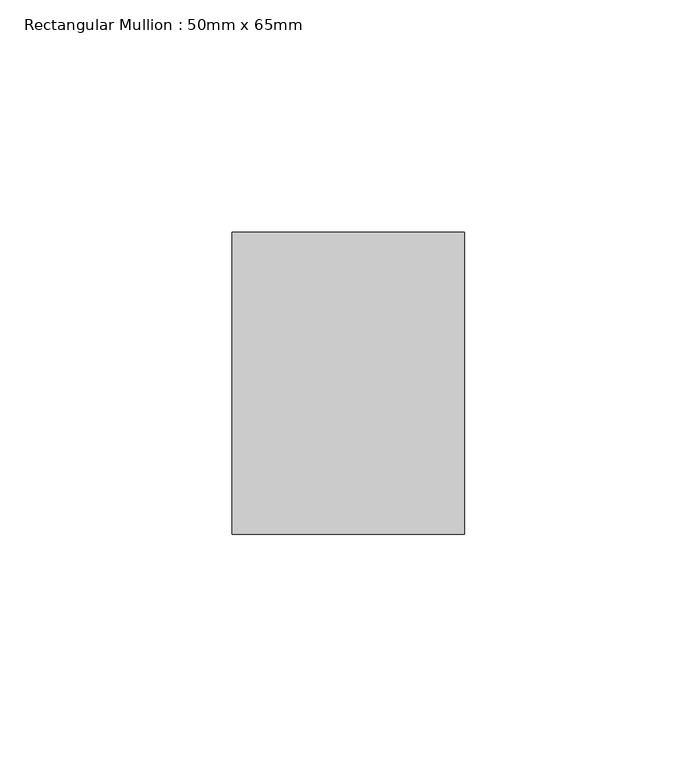
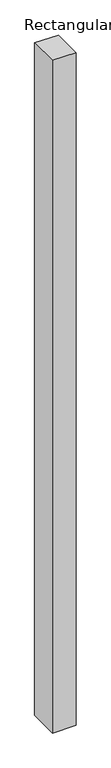
"""IFC4 building model written with IfcOpenShell, lengths in millimetres: member geometry, Rectangular Mullion : 50mm x 65mm."""

import ifcopenshell
import ifcopenshell.guid

model = None  # the IFC model being written
_history = None  # IfcOwnerHistory: only IFC2X3 demands one
_inside = {}  # id of a spatial element -> (the spatial element, [elements in it])
_under = {}  # id of a project, library or spatial element -> (it, [spatial elements below it])
_declared = {}  # id of a project -> (the project, [libraries it declares])
_typed = {}  # id of a type object -> (the type object, [elements of that type])
_made_of = {}  # id of a material, layer set ... -> (it, [elements and type objects made of it])


def new_model(schema):
    """Start an empty IFC model of exactly this schema.

    Asked for "IFC4X3", IfcOpenShell would pick the latest addendum, in which some entities
    have other attributes; the version numbers below select the first issue.
    IFC2X3 requires an IfcOwnerHistory on every rooted entity: one is made here for all.
    """
    global model, _history
    if schema == "IFC4X3":
        model = ifcopenshell.file(schema_version=(4, 3, 0, 0))
    else:
        model = ifcopenshell.file(schema=schema)
    _inside.clear()
    _under.clear()
    _declared.clear()
    _typed.clear()
    _made_of.clear()
    _history = None
    if model.schema == "IFC2X3":
        org = make("IfcOrganization", Name="unknown")
        user = make(
            "IfcPersonAndOrganization",
            ThePerson=make("IfcPerson", FamilyName="unknown"),
            TheOrganization=org,
        )
        app = make(
            "IfcApplication",
            ApplicationDeveloper=org,
            Version="unknown",
            ApplicationFullName="unknown",
            ApplicationIdentifier="unknown",
        )
        _history = make(
            "IfcOwnerHistory",
            OwningUser=user,
            OwningApplication=app,
            ChangeAction="ADDED",
            CreationDate=0,
        )
    return model


def make(cls, **values):
    """One entity of the class cls with the attributes given. An attribute that is None is left unset."""
    return model.create_entity(
        cls, **{name: value for name, value in values.items() if value is not None}
    )


def rooted(cls, **values):
    """An entity with a GlobalId (a new one), such as an element, a storey or a relation."""
    return make(cls, GlobalId=ifcopenshell.guid.new(), OwnerHistory=_history, **values)


def si_unit(unit_type, name, prefix=None):
    """IfcSIUnit, for example si_unit("LENGTHUNIT", "METRE", prefix="MILLI")."""
    return make("IfcSIUnit", UnitType=unit_type, Prefix=prefix, Name=name)


def assignment(units):
    """IfcUnitAssignment: the units of a project."""
    return None if units is None else make("IfcUnitAssignment", Units=units)


def point(xyz):
    """IfcCartesianPoint."""
    return None if xyz is None else make("IfcCartesianPoint", Coordinates=xyz)


def direction(xyz):
    """IfcDirection."""
    return None if xyz is None else make("IfcDirection", DirectionRatios=xyz)


def frame(location, z_axis=None, x_axis=None):
    """IfcAxis2Placement3D, a coordinate frame: its origin and axes. An axis left out is left unset."""
    return make(
        "IfcAxis2Placement3D",
        Location=point(location),
        Axis=direction(z_axis),
        RefDirection=direction(x_axis),
    )


def origin():
    """The frame at (0, 0, 0) with its axes left unset."""
    return frame((0.0, 0.0, 0.0))


def place(relative_to, where):
    """IfcLocalPlacement: puts the frame where relative to a parent placement (None: the world)."""
    return make(
        "IfcLocalPlacement", PlacementRelTo=relative_to, RelativePlacement=where
    )


def context(
    kind, dimensions, precision=None, world=None, true_north=None, identifier=None
):
    """IfcGeometricRepresentationContext, for example the 3D "Model" context."""
    return make(
        "IfcGeometricRepresentationContext",
        ContextIdentifier=identifier,
        ContextType=kind,
        CoordinateSpaceDimension=dimensions,
        Precision=precision,
        WorldCoordinateSystem=world,
        TrueNorth=true_north,
    )


def project(units=None, contexts=None):
    """IfcProject with its units and contexts."""
    return rooted(
        "IfcProject",
        Name="project",
        RepresentationContexts=contexts,
        UnitsInContext=assignment(units),
    )


def spatial(cls, under=None, at=None, **own):
    """A site, building, storey or space (cls), placed at a placement, below another one or the project."""
    s = rooted(cls, ObjectPlacement=at, **own)
    if under is not None:
        _under.setdefault(under.id(), (under, []))[1].append(s)
    return s


def faces_of(points, faces, orient=None, outer=None):
    """IfcFace entities. A face is a list of loops; a loop is a list of indices into points, from 0.

    orient and outer hold one flag for each loop. By default every Orientation is true, the
    first loop of a face is its IfcFaceOuterBound and the others are IfcFaceBound.
    """
    made = []
    for i, loops in enumerate(faces):
        bounds = []
        for j, loop in enumerate(loops):
            is_outer = j == 0 if outer is None else outer[i][j]
            bounds.append(
                make(
                    "IfcFaceOuterBound" if is_outer else "IfcFaceBound",
                    Bound=make("IfcPolyLoop", Polygon=[points[k] for k in loop]),
                    Orientation=True if orient is None else orient[i][j],
                )
            )
        made.append(make("IfcFace", Bounds=bounds))
    return made


def faceted_brep(points, faces, orient=None, outer=None, voids=None):
    """IfcFacetedBrep: a solid bounded by flat faces; with voids (closed shells), ...WithVoids."""
    shared = [point(p) for p in points]
    hull = make("IfcClosedShell", CfsFaces=faces_of(shared, faces, orient, outer))
    if voids is None:
        return make("IfcFacetedBrep", Outer=hull)
    return make(
        "IfcFacetedBrepWithVoids",
        Outer=hull,
        Voids=[
            make(cls, CfsFaces=faces_of(shared, fs, o, b)) for cls, fs, o, b in voids
        ],
    )


def shape(context_of_items, identifier, shape_type, items):
    """IfcShapeRepresentation: the items that make up one representation, for example the "Body"."""
    return make(
        "IfcShapeRepresentation",
        ContextOfItems=context_of_items,
        RepresentationIdentifier=identifier,
        RepresentationType=shape_type,
        Items=items,
    )


def source(mapping_origin, context_of_items, identifier, shape_type, items):
    """IfcRepresentationMap: a shape defined once, which mapped items show again and again."""
    return make(
        "IfcRepresentationMap",
        MappingOrigin=mapping_origin,
        MappedRepresentation=shape(context_of_items, identifier, shape_type, items),
    )


def transform(
    local_origin,
    x_axis=None,
    y_axis=None,
    z_axis=None,
    scale=None,
    scale2=None,
    scale3=None,
    uniform=True,
):
    """IfcCartesianTransformationOperator3D, or its non-uniform kind. x_axis, y_axis, z_axis: its Axis1, 2, 3."""
    if uniform:
        return make(
            "IfcCartesianTransformationOperator3D",
            Axis1=direction(x_axis),
            Axis2=direction(y_axis),
            LocalOrigin=point(local_origin),
            Scale=scale,
            Axis3=direction(z_axis),
        )
    return make(
        "IfcCartesianTransformationOperator3DnonUniform",
        Axis1=direction(x_axis),
        Axis2=direction(y_axis),
        LocalOrigin=point(local_origin),
        Scale=scale,
        Axis3=direction(z_axis),
        Scale2=scale2,
        Scale3=scale3,
    )


def mapped(mapping_source, mapping_target):
    """IfcMappedItem: shows the shape of a source again, moved by a transform."""
    return make(
        "IfcMappedItem", MappingSource=mapping_source, MappingTarget=mapping_target
    )


def made_of(thing, what):
    """Note that an element or type object is made of a material, layer set ...; save() writes the relation."""
    if what is not None:
        _made_of.setdefault(what.id(), (what, []))[1].append(thing)
    return thing


def element(
    cls,
    number,
    at=None,
    inside=None,
    cuts=None,
    type_object=None,
    material=None,
    context=None,
    identifier="Body",
    shape_type=None,
    held_by="IfcProductDefinitionShape",
    body=None,
    shapes=None,
    **own,
):
    """One element of the class cls, such as IfcWall. Its Tag is "e" and its number.

    at: its placement. inside: the storey or other place that contains it. cuts: it is an
    opening in that element (IfcRelVoidsElement). A single representation is given by context,
    identifier, shape_type and body (its items); several are given by shapes. held_by: the class
    of the entity that holds the representations. save() writes the other relations.
    """
    e = rooted(cls, Tag="e%d" % number, ObjectPlacement=at, **own)
    if body is not None:
        shapes = [shape(context, identifier, shape_type, body)]
    if shapes is not None:
        e.Representation = make(held_by, Representations=shapes)
    if inside is not None:
        _inside.setdefault(inside.id(), (inside, []))[1].append(e)
    if cuts is not None:
        rooted(
            "IfcRelVoidsElement", RelatingBuildingElement=cuts, RelatedOpeningElement=e
        )
    if type_object is not None:
        _typed.setdefault(type_object.id(), (type_object, []))[1].append(e)
    return made_of(e, material)


def aggregate(whole, parts):
    """IfcRelAggregates: a whole, such as a stair, and the parts it consists of."""
    return rooted("IfcRelAggregates", RelatingObject=whole, RelatedObjects=parts)


def save(model, path):
    """Write the relations noted so far, then the file.

    IfcRelAggregates (storeys below a building ...), IfcRelContainedInSpatialStructure (elements
    in a storey), IfcRelDefinesByType, IfcRelAssociatesMaterial and IfcRelDeclares: one each for
    every whole, place, type object, material and project.
    """
    for whole, parts in _under.values():
        aggregate(whole, parts)
    for where, things in _inside.values():
        rooted(
            "IfcRelContainedInSpatialStructure",
            RelatedElements=things,
            RelatingStructure=where,
        )
    for kind, things in _typed.values():
        rooted("IfcRelDefinesByType", RelatedObjects=things, RelatingType=kind)
    for what, things in _made_of.values():
        rooted("IfcRelAssociatesMaterial", RelatedObjects=things, RelatingMaterial=what)
    for by, libraries in _declared.values():
        rooted("IfcRelDeclares", RelatingContext=by, RelatedDefinitions=libraries)
    model.write(path)


def rectangular_mullion_50mm_x_65mm_f7cac8c2(model_context):
    return source(origin(), model_context, "Body", "Brep", [
        faceted_brep([(-25.0, 32.5, -0.2664471), (25.0, 32.5, -0.2664491), (25.0, 32.5, -1499.6461451), (-25.0, 32.5, -1499.6461478), (-25.0, -32.5, 0.2664491), (-25.0, -32.5, -1500.3534893), (25.0, -32.5, 0.2664471), (25.0, -32.5, -1500.3534866)], [[[0, 1, 2, 3]], [[4, 0, 3, 5]], [[6, 4, 5, 7]], [[1, 6, 7, 2]], [[1, 0, 4, 6]], [[2, 7, 5, 3]]]),
    ])


if __name__ == "__main__":
    model = new_model("IFC4")
    model_context = context("Model", 3, world=origin())
    ifc_project = project(units=[si_unit("LENGTHUNIT", "METRE", prefix="MILLI")], contexts=[model_context])
    site = spatial("IfcSite", under=ifc_project)
    building = spatial("IfcBuilding", under=site)
    placement = place(None, origin())
    rectangular_mullion_50mm_x_65mm_shape = rectangular_mullion_50mm_x_65mm_f7cac8c2(model_context)
    element("IfcMember", 1, ObjectType="Rectangular Mullion : 50mm x 65mm", at=placement, inside=building, context=model_context, shape_type="MappedRepresentation", body=[
        mapped(rectangular_mullion_50mm_x_65mm_shape, transform((0.0, 0.0, 0.0), x_axis=(1.0, 0.0, 0.0), y_axis=(0.0, 1.0, 0.0), z_axis=(0.0, 0.0, 1.0))),
    ])
    save(model, "model.ifc")
